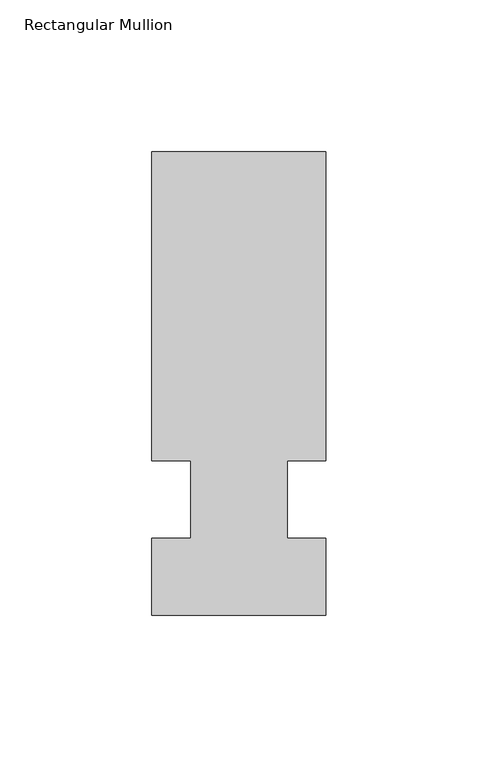
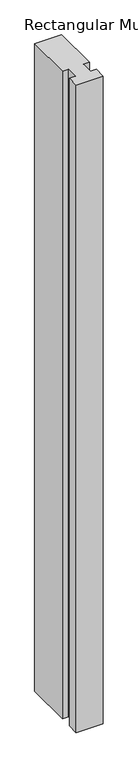
"""IFC4 building model written with IfcOpenShell, lengths in millimetres: member geometry, Rectangular Mullion."""

from ifc_helpers import new_model, si_unit, frame, origin, place, context, project, spatial, polyline, outline, extrude, source, transform, mapped, element, save


def rectangular_mullion_585d409c(model_context):
    return source(origin(), model_context, "Body", "SweptSolid", [
        extrude(outline(polyline([(32.9094027, 114.3), (32.9094027, 12.7), (20.2076322, 12.7), (20.2076322, -12.7), (32.9094027, -12.7), (32.9094027, -38.1), (-24.2405973, -38.1), (-24.2405973, -12.7), (-11.5405973, -12.7), (-11.5405973, 12.7), (-24.2405973, 12.7), (-24.2405973, 114.3), (32.9094027, 114.3)])), frame((0.0, 0.0, -1449.9166667), z_axis=(0.0, 0.0, 1.0), x_axis=(1.0, 0.0, 0.0)), (0.0, 0.0, 1.0), 1449.9166667),
    ])


if __name__ == "__main__":
    model = new_model("IFC4")
    model_context = context("Model", 3, world=origin())
    ifc_project = project(units=[si_unit("LENGTHUNIT", "METRE", prefix="MILLI")], contexts=[model_context])
    site = spatial("IfcSite", under=ifc_project)
    building = spatial("IfcBuilding", under=site)
    placement = place(None, origin())
    rectangular_mullion_shape = rectangular_mullion_585d409c(model_context)
    element("IfcMember", 1, ObjectType="Rectangular Mullion", at=placement, inside=building, context=model_context, shape_type="MappedRepresentation", body=[
        mapped(rectangular_mullion_shape, transform((0.0, 0.0, 0.0), x_axis=(1.0, 0.0, 0.0), y_axis=(0.0, 1.0, 0.0), z_axis=(0.0, 0.0, 1.0))),
    ])
    save(model, "model.ifc")
